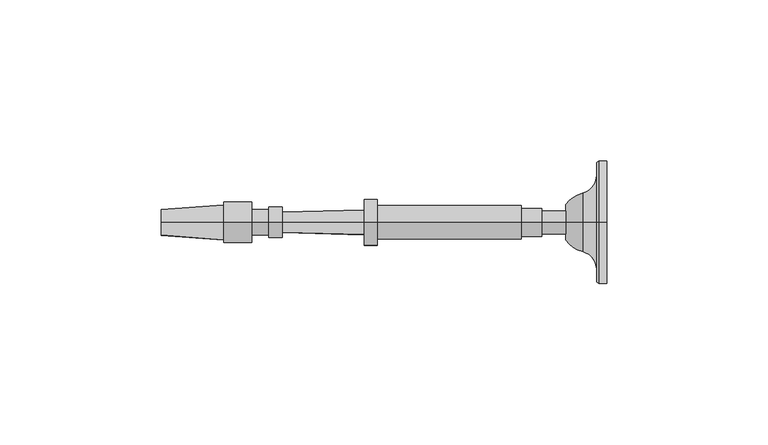
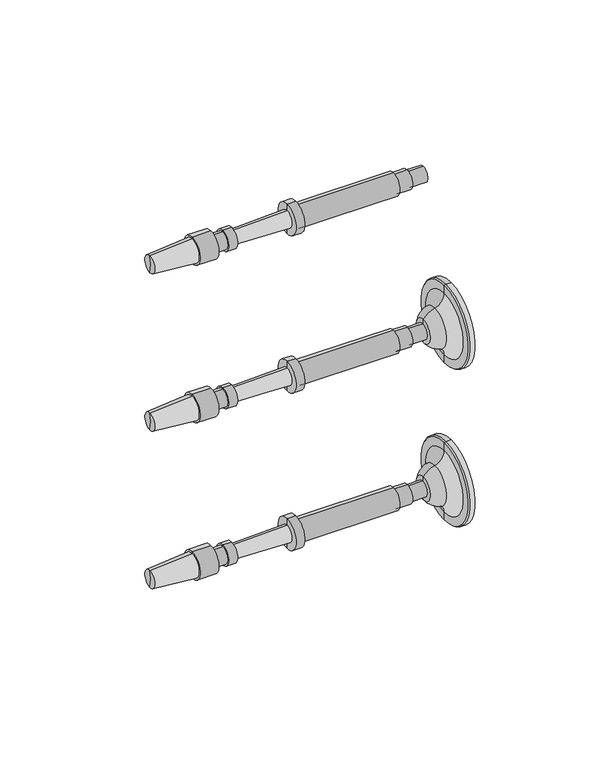
"""IFC4 building model written with IfcOpenShell, lengths in millimetres: railing geometry."""

from ifc_helpers import new_model, si_unit, point, frame, origin, place, context, project, spatial, polyline, circle_curve, ellipse_curve, trimmed, source, transform, mapped, element, save
from ifc_brep_helpers import plane_surface, cylinder_surface, revolved_surface, advanced_brep


def railing_fa4fd80e(model_context):
    return source(origin(), model_context, "Body", "AdvancedBrep", [
        advanced_brep(
        [(4032.408954, 16706.2866843, 33140.0282881), (4032.408954, 16706.2866843, 33143.6001631), (4032.408954, 16706.2866843, 33147.1720381), (3907.4650648, 16706.2866843, 33143.6001631), (3907.1694004, 16706.2866843, 33139.5757028), (3907.1694004, 16706.2866843, 33147.6246235), (3926.5127644, 16706.2866843, 33138.1546072), (3926.5127644, 16706.2866843, 33149.045719), (3926.5127644, 16706.2866843, 33137.2616385), (3926.5127644, 16706.2866843, 33149.9386877), (3935.1447956, 16706.2866843, 33137.2616385), (3935.1447956, 16706.2866843, 33149.9386877), (3935.1447956, 16706.2866843, 33139.6428885), (3935.1447956, 16706.2866843, 33147.5574377), (3940.5026081, 16706.2866843, 33139.6428885), (3940.5026081, 16706.2866843, 33147.5574377), (3940.5026081, 16706.2866843, 33138.8491385), (3940.5026081, 16706.2866843, 33148.3511877), (3944.5705769, 16706.2866843, 33138.8491385), (3944.5705769, 16706.2866843, 33148.3511877), (3944.614664, 16706.2866843, 33140.4360262), (3944.614664, 16706.2866843, 33146.7643), (3970.0048672, 16706.2866843, 33139.7306319), (3970.0048672, 16706.2866843, 33147.4696944), (3970.0048672, 16706.2866843, 33136.4564131), (3970.0048672, 16706.2866843, 33150.7439131), (3973.9736172, 16706.2866843, 33136.4564131), (3973.9736172, 16706.2866843, 33150.7439131), (3973.9736172, 16706.2866843, 33138.4407881), (3973.9736172, 16706.2866843, 33148.7595381), (4018.7212735, 16706.2866843, 33138.4407881), (4018.7212735, 16706.2866843, 33148.7595381), (4018.7212735, 16706.2866843, 33139.2345381), (4018.7212735, 16706.2866843, 33147.9657881), (4025.0712735, 16706.2866843, 33139.2345381), (4025.0712735, 16706.2866843, 33147.9657881), (4025.0712735, 16706.2866843, 33140.0282881), (4025.0712735, 16706.2866843, 33147.1720381)],
        [
            (0, 1),
            (1, 2),
            (2, 0, circle_curve(frame((4032.408954, 16706.2866843, 33143.6001631), z_axis=(1.0, 0.0, 0.0), x_axis=(0.0, 0.0, 1.0000000000000002)), 3.571875)),
            (0, 2, circle_curve(frame((4032.408954, 16706.2866843, 33143.6001631), z_axis=(1.0, 0.0, 0.0), x_axis=(0.0, 0.0, 1.0000000000000002)), 3.571875)),
            (3, 4),
            (4, 5, circle_curve(frame((3907.1694004, 16706.2866843, 33143.6001631), z_axis=(-1.0, 0.0, 0.0), x_axis=(0.0, 0.0, 1.0000000000000002)), 4.0244604)),
            (5, 3),
            (5, 4, circle_curve(frame((3907.1694004, 16706.2866843, 33143.6001631), z_axis=(-1.0, 0.0, 0.0), x_axis=(0.0, 0.0, 1.0000000000000002)), 4.0244604)),
            (4, 6),
            (6, 7, circle_curve(frame((3926.5127644, 16706.2866843, 33143.6001631), z_axis=(-1.0, 0.0, 0.0), x_axis=(0.0, 0.0, 1.0000000000000002)), 5.4455559)),
            (7, 5),
            (7, 6, circle_curve(frame((3926.5127644, 16706.2866843, 33143.6001631), z_axis=(-1.0, 0.0, 0.0), x_axis=(0.0, 0.0, 1.0000000000000002)), 5.4455559)),
            (6, 8),
            (8, 9, circle_curve(frame((3926.5127644, 16706.2866843, 33143.6001631), z_axis=(-1.0, 0.0, 0.0), x_axis=(0.0, 0.0, 1.0000000000000002)), 6.3385246)),
            (9, 7),
            (9, 8, circle_curve(frame((3926.5127644, 16706.2866843, 33143.6001631), z_axis=(-1.0, 0.0, 0.0), x_axis=(0.0, 0.0, 1.0000000000000002)), 6.3385246)),
            (8, 10),
            (10, 11, circle_curve(frame((3935.1447956, 16706.2866843, 33143.6001631), z_axis=(-1.0, 0.0, 0.0), x_axis=(0.0, 0.0, 1.0000000000000002)), 6.3385246)),
            (11, 9),
            (11, 10, circle_curve(frame((3935.1447956, 16706.2866843, 33143.6001631), z_axis=(-1.0, 0.0, 0.0), x_axis=(0.0, 0.0, 1.0000000000000002)), 6.3385246)),
            (10, 12),
            (12, 13, circle_curve(frame((3935.1447956, 16706.2866843, 33143.6001631), z_axis=(-1.0, 0.0, 0.0), x_axis=(0.0, 0.0, 1.0000000000000002)), 3.9572746)),
            (13, 11),
            (13, 12, circle_curve(frame((3935.1447956, 16706.2866843, 33143.6001631), z_axis=(-1.0, 0.0, 0.0), x_axis=(0.0, 0.0, 1.0000000000000002)), 3.9572746)),
            (12, 14),
            (14, 15, circle_curve(frame((3940.5026081, 16706.2866843, 33143.6001631), z_axis=(-1.0, 0.0, 0.0), x_axis=(0.0, 0.0, 1.0000000000000002)), 3.9572746)),
            (15, 13),
            (15, 14, circle_curve(frame((3940.5026081, 16706.2866843, 33143.6001631), z_axis=(-1.0, 0.0, 0.0), x_axis=(0.0, 0.0, 1.0000000000000002)), 3.9572746)),
            (14, 16),
            (16, 17, circle_curve(frame((3940.5026081, 16706.2866843, 33143.6001631), z_axis=(-1.0, 0.0, 0.0), x_axis=(0.0, 0.0, 1.0000000000000002)), 4.7510246)),
            (17, 15),
            (17, 16, circle_curve(frame((3940.5026081, 16706.2866843, 33143.6001631), z_axis=(-1.0, 0.0, 0.0), x_axis=(0.0, 0.0, 1.0000000000000002)), 4.7510246)),
            (16, 18),
            (18, 19, circle_curve(frame((3944.5705769, 16706.2866843, 33143.6001631), z_axis=(-1.0, 0.0, 0.0), x_axis=(0.0, 0.0, 1.0000000000000002)), 4.7510246)),
            (19, 17),
            (19, 18, circle_curve(frame((3944.5705769, 16706.2866843, 33143.6001631), z_axis=(-1.0, 0.0, 0.0), x_axis=(0.0, 0.0, 1.0000000000000002)), 4.7510246)),
            (18, 20),
            (20, 21, circle_curve(frame((3944.614664, 16706.2866843, 33143.6001631), z_axis=(-1.0, 0.0, 0.0), x_axis=(0.0, 0.0, 1.0000000000000002)), 3.1641369)),
            (21, 19),
            (21, 20, circle_curve(frame((3944.614664, 16706.2866843, 33143.6001631), z_axis=(-1.0, 0.0, 0.0), x_axis=(0.0, 0.0, 1.0000000000000002)), 3.1641369)),
            (20, 22),
            (22, 23, circle_curve(frame((3970.0048672, 16706.2866843, 33143.6001631), z_axis=(-1.0, 0.0, 0.0), x_axis=(0.0, 0.0, 1.0000000000000002)), 3.8695313)),
            (23, 21),
            (23, 22, circle_curve(frame((3970.0048672, 16706.2866843, 33143.6001631), z_axis=(-1.0, 0.0, 0.0), x_axis=(0.0, 0.0, 1.0000000000000002)), 3.8695313)),
            (22, 24),
            (24, 25, circle_curve(frame((3970.0048672, 16706.2866843, 33143.6001631), z_axis=(-1.0, 0.0, 0.0), x_axis=(0.0, 0.0, 1.0000000000000002)), 7.14375)),
            (25, 23),
            (25, 24, circle_curve(frame((3970.0048672, 16706.2866843, 33143.6001631), z_axis=(-1.0, 0.0, 0.0), x_axis=(0.0, 0.0, 1.0000000000000002)), 7.14375)),
            (24, 26),
            (26, 27, circle_curve(frame((3973.9736172, 16706.2866843, 33143.6001631), z_axis=(-1.0, 0.0, 0.0), x_axis=(0.0, 0.0, 1.0000000000000002)), 7.14375)),
            (27, 25),
            (27, 26, circle_curve(frame((3973.9736172, 16706.2866843, 33143.6001631), z_axis=(-1.0, 0.0, 0.0), x_axis=(0.0, 0.0, 1.0000000000000002)), 7.14375)),
            (26, 28),
            (28, 29, circle_curve(frame((3973.9736172, 16706.2866843, 33143.6001631), z_axis=(-1.0, 0.0, 0.0), x_axis=(0.0, 0.0, 1.0000000000000002)), 5.159375)),
            (29, 27),
            (29, 28, circle_curve(frame((3973.9736172, 16706.2866843, 33143.6001631), z_axis=(-1.0, 0.0, 0.0), x_axis=(0.0, 0.0, 1.0000000000000002)), 5.159375)),
            (28, 30),
            (30, 31, circle_curve(frame((4018.7212735, 16706.2866843, 33143.6001631), z_axis=(-1.0, 0.0, 0.0), x_axis=(0.0, 0.0, 1.0000000000000002)), 5.159375)),
            (31, 29),
            (31, 30, circle_curve(frame((4018.7212735, 16706.2866843, 33143.6001631), z_axis=(-1.0, 0.0, 0.0), x_axis=(0.0, 0.0, 1.0000000000000002)), 5.159375)),
            (30, 32),
            (32, 33, circle_curve(frame((4018.7212735, 16706.2866843, 33143.6001631), z_axis=(-1.0, 0.0, 0.0), x_axis=(0.0, 0.0, 1.0000000000000002)), 4.365625)),
            (33, 31),
            (33, 32, circle_curve(frame((4018.7212735, 16706.2866843, 33143.6001631), z_axis=(-1.0, 0.0, 0.0), x_axis=(0.0, 0.0, 1.0000000000000002)), 4.365625)),
            (32, 34),
            (34, 35, circle_curve(frame((4025.0712735, 16706.2866843, 33143.6001631), z_axis=(-1.0, 0.0, 0.0), x_axis=(0.0, 0.0, 1.0000000000000002)), 4.365625)),
            (35, 33),
            (35, 34, circle_curve(frame((4025.0712735, 16706.2866843, 33143.6001631), z_axis=(-1.0, 0.0, 0.0), x_axis=(0.0, 0.0, 1.0000000000000002)), 4.365625)),
            (34, 36),
            (36, 37, circle_curve(frame((4025.0712735, 16706.2866843, 33143.6001631), z_axis=(-1.0, 0.0, 0.0), x_axis=(0.0, 0.0, 1.0000000000000002)), 3.571875)),
            (37, 35),
            (37, 36, circle_curve(frame((4025.0712735, 16706.2866843, 33143.6001631), z_axis=(-1.0, 0.0, 0.0), x_axis=(0.0, 0.0, 1.0000000000000002)), 3.571875)),
            (36, 0),
            (2, 37),
        ],
        [
            plane_surface(frame((4032.408954, 16706.2866843, 33143.6001631), z_axis=(1.0, 0.0, 0.0), x_axis=(0.0, 0.0, 1.0))),
            revolved_surface(polyline([(3907.1694004, 16706.2866843, 33147.6246235), (3907.4650648, 16706.2866843, 33143.6001631)]), (3907.4650648, 16706.2866843, 33143.6001631), (-1.0, 0.0, 0.0)),
            revolved_surface(polyline([(3926.5127644, 16706.2866843, 33149.045719), (3907.1694004, 16706.2866843, 33147.6246235)]), (3907.4650648, 16706.2866843, 33143.6001631), (-1.0, 0.0, 0.0)),
            plane_surface(frame((3926.5127644, 16706.2866843, 33143.6001631), z_axis=(-1.0, 0.0, 0.0), x_axis=(0.0, 0.0, 1.0))),
            cylinder_surface(frame((3907.4650648, 16706.2866843, 33143.6001631), z_axis=(-1.0, 0.0, 0.0), x_axis=(0.0, 0.0, 1.0000000000000002)), 6.3385246),
            plane_surface(frame((3935.1447956, 16706.2866843, 33143.6001631), z_axis=(1.0, 0.0, 0.0), x_axis=(0.0, 0.0, 1.0))),
            cylinder_surface(frame((3907.4650648, 16706.2866843, 33143.6001631), z_axis=(-1.0, 0.0, 0.0), x_axis=(0.0, 0.0, 1.0000000000000002)), 3.9572746),
            plane_surface(frame((3940.5026081, 16706.2866843, 33143.6001631), z_axis=(-1.0, 0.0, 0.0), x_axis=(0.0, 0.0, 1.0))),
            cylinder_surface(frame((3907.4650648, 16706.2866843, 33143.6001631), z_axis=(-1.0, 0.0, 0.0), x_axis=(0.0, 0.0, 1.0000000000000002)), 4.7510246),
            plane_surface(frame((3944.614664, 16706.2866843, 33143.6001631), z_axis=(1.0, 0.0, 0.0), x_axis=(0.0, 0.0, 1.0))),
            revolved_surface(polyline([(3970.0048672, 16706.2866843, 33147.4696944), (3944.614664, 16706.2866843, 33146.7643)]), (3907.4650648, 16706.2866843, 33143.6001631), (-1.0, 0.0, 0.0)),
            plane_surface(frame((3970.0048672, 16706.2866843, 33143.6001631), z_axis=(-1.0, 0.0, 0.0), x_axis=(0.0, 0.0, 1.0))),
            cylinder_surface(frame((3907.4650648, 16706.2866843, 33143.6001631), z_axis=(-1.0, 0.0, 0.0), x_axis=(0.0, 0.0, 1.0000000000000002)), 7.14375),
            plane_surface(frame((3973.9736172, 16706.2866843, 33143.6001631), z_axis=(1.0, 0.0, 0.0), x_axis=(0.0, 0.0, 1.0))),
            cylinder_surface(frame((3907.4650648, 16706.2866843, 33143.6001631), z_axis=(-1.0, 0.0, 0.0), x_axis=(0.0, 0.0, 1.0000000000000002)), 5.159375),
            plane_surface(frame((4018.7212735, 16706.2866843, 33143.6001631), z_axis=(1.0, 0.0, 0.0), x_axis=(0.0, 0.0, 1.0))),
            cylinder_surface(frame((3907.4650648, 16706.2866843, 33143.6001631), z_axis=(-1.0, 0.0, 0.0), x_axis=(0.0, 0.0, 1.0000000000000002)), 4.365625),
            plane_surface(frame((4025.0712735, 16706.2866843, 33143.6001631), z_axis=(1.0, 0.0, 0.0), x_axis=(0.0, 0.0, 1.0))),
            cylinder_surface(frame((3907.4650648, 16706.2866843, 33143.6001631), z_axis=(-1.0, 0.0, 0.0), x_axis=(0.0, 0.0, 1.0000000000000002)), 3.571875),
        ],
        [
            (0, [[1, 2, 3]]),
            (0, [[-2, -1, 4]]),
            (1, [[5, 6, 7]]),
            (1, [[-7, 8, -5]]),
            (2, [[9, 10, 11, -6]]),
            (2, [[-11, 12, -9, -8]]),
            (3, [[13, 14, 15, -10]]),
            (3, [[-15, 16, -13, -12]]),
            (4, [[17, 18, 19, -14]]),
            (4, [[-19, 20, -17, -16]]),
            (5, [[21, 22, 23, -18]]),
            (5, [[-23, 24, -21, -20]]),
            (6, [[25, 26, 27, -22]]),
            (6, [[-27, 28, -25, -24]]),
            (7, [[29, 30, 31, -26]]),
            (7, [[-31, 32, -29, -28]]),
            (8, [[33, 34, 35, -30]]),
            (8, [[-35, 36, -33, -32]]),
            (9, [[37, 38, 39, -34]]),
            (9, [[-39, 40, -37, -36]]),
            (10, [[41, 42, 43, -38]]),
            (10, [[-43, 44, -41, -40]]),
            (11, [[45, 46, 47, -42]]),
            (11, [[-47, 48, -45, -44]]),
            (12, [[49, 50, 51, -46]]),
            (12, [[-51, 52, -49, -48]]),
            (13, [[53, 54, 55, -50]]),
            (13, [[-55, 56, -53, -52]]),
            (14, [[57, 58, 59, -54]]),
            (14, [[-59, 60, -57, -56]]),
            (15, [[61, 62, 63, -58]]),
            (15, [[-63, 64, -61, -60]]),
            (16, [[65, 66, 67, -62]]),
            (16, [[-67, 68, -65, -64]]),
            (17, [[69, 70, 71, -66]]),
            (17, [[-71, 72, -69, -68]]),
            (18, [[73, -3, 74, -70]]),
            (18, [[-74, -4, -73, -72]]),
        ],
    ),
        advanced_brep(
        [(4045.1015906, 16706.2866843, 33067.4001631), (4045.1015906, 16706.2866843, 33086.4501631), (4045.1015906, 16706.2866843, 33048.3501631), (4032.408954, 16706.2866843, 33061.8769785), (4032.408954, 16706.2866843, 33072.9233478), (4032.408954, 16706.2866843, 33067.4001631), (4037.6850504, 16706.2866843, 33058.2720381), (4037.6850504, 16706.2866843, 33076.5282881), (4042.0506754, 16706.2866843, 33052.6458254), (4042.0506754, 16706.2866843, 33082.1545009), (4042.0506754, 16706.2866843, 33048.7762941), (4042.0506754, 16706.2866843, 33086.0240321), (4042.7203406, 16706.2866843, 33048.3501631), (4042.7203406, 16706.2866843, 33086.4501631)],
        [
            (0, 1),
            (1, 2, circle_curve(frame((4045.1015906, 16706.2866843, 33067.4001631), z_axis=(1.0, 0.0, 0.0), x_axis=(0.0, 0.0, 1.0)), 19.05)),
            (2, 0),
            (2, 1, circle_curve(frame((4045.1015906, 16706.2866843, 33067.4001631), z_axis=(1.0, 0.0, 0.0), x_axis=(0.0, 0.0, 1.0)), 19.05)),
            (3, 4, circle_curve(frame((4032.408954, 16706.2866843, 33067.4001631), z_axis=(-1.0, 0.0, 0.0), x_axis=(0.0, 0.0, 1.0)), 5.5231846)),
            (4, 5),
            (5, 3),
            (4, 3, circle_curve(frame((4032.408954, 16706.2866843, 33067.4001631), z_axis=(-1.0, 0.0, 0.0), x_axis=(0.0, 0.0, 1.0)), 5.5231846)),
            (6, 7, circle_curve(frame((4037.6850504, 16706.2866843, 33067.4001631), z_axis=(-1.0, 0.0, 0.0), x_axis=(0.0, 0.0, 1.0)), 9.128125)),
            (7, 4, circle_curve(frame((4040.0094591, 16706.2866843, 33067.4628958), z_axis=(0.0, -1.0, 0.0), x_axis=(-1.0, 0.0, 0.0)), 9.3586438)),
            (3, 6, circle_curve(frame((4040.0094591, 16706.2866843, 33067.3374304), z_axis=(0.0, -1.0, 0.0), x_axis=(-1.0, 0.0, 0.0)), 9.3586438)),
            (7, 6, circle_curve(frame((4037.6850504, 16706.2866843, 33067.4001631), z_axis=(-1.0, 0.0, 0.0), x_axis=(0.0, 0.0, 1.0)), 9.128125)),
            (8, 9, circle_curve(frame((4042.0506754, 16706.2866843, 33067.4001631), z_axis=(-1.0, 0.0, 0.0), x_axis=(0.0, 0.0, 1.0)), 14.7543378)),
            (9, 7, circle_curve(frame((4036.2424634, 16706.2866843, 33082.1545009), z_axis=(0.0, 1.0, 0.0), x_axis=(-1.0, 0.0, 0.0)), 5.8082121)),
            (6, 8, circle_curve(frame((4036.2424634, 16706.2866843, 33052.6458254), z_axis=(0.0, 1.0, 0.0), x_axis=(-1.0, 0.0, 0.0)), 5.8082121)),
            (9, 8, circle_curve(frame((4042.0506754, 16706.2866843, 33067.4001631), z_axis=(-1.0, 0.0, 0.0), x_axis=(0.0, 0.0, 1.0)), 14.7543378)),
            (10, 11, circle_curve(frame((4042.0506754, 16706.2866843, 33067.4001631), z_axis=(-1.0, 0.0, 0.0), x_axis=(0.0, 0.0, 1.0)), 18.623869)),
            (11, 9),
            (8, 10),
            (11, 10, circle_curve(frame((4042.0506754, 16706.2866843, 33067.4001631), z_axis=(-1.0, 0.0, 0.0), x_axis=(0.0, 0.0, 1.0)), 18.623869)),
            (12, 13, circle_curve(frame((4042.7203406, 16706.2866843, 33067.4001631), z_axis=(-1.0, 0.0, 0.0), x_axis=(0.0, 0.0, 1.0)), 19.05)),
            (13, 11),
            (10, 12),
            (13, 12, circle_curve(frame((4042.7203406, 16706.2866843, 33067.4001631), z_axis=(-1.0, 0.0, 0.0), x_axis=(0.0, 0.0, 1.0)), 19.05)),
            (1, 13),
            (12, 2),
        ],
        [
            plane_surface(frame((4045.1015906, 16706.2866843, 33067.4001631), z_axis=(1.0, 0.0, 0.0), x_axis=(0.0, 0.0, 1.0))),
            plane_surface(frame((4032.408954, 16706.2866843, 33067.4001631), z_axis=(-1.0, 0.0, 0.0), x_axis=(0.0, 0.0, 1.0))),
            revolved_surface(trimmed(ellipse_curve(frame((4040.0094591, 16706.2866843, 33067.4628958), z_axis=(0.0, 1.0, 0.0), x_axis=(-1.0, 0.0, 0.0)), 9.3586438, 9.3586438), [point((4032.408954, 16706.2866843, 33072.9233478))], [point((4037.6850504, 16706.2866843, 33076.5282881))], True, "CARTESIAN"), (4045.1015906, 16706.2866843, 33067.4001631), (1.0, 0.0, 0.0)),
            revolved_surface(trimmed(ellipse_curve(frame((4036.2424634, 16706.2866843, 33082.1545009), z_axis=(0.0, -1.0, 0.0), x_axis=(-1.0, 0.0, 0.0)), 5.8082121, 5.8082121), [point((4037.6850504, 16706.2866843, 33076.5282881))], [point((4042.0506754, 16706.2866843, 33082.1545009))], True, "CARTESIAN"), (4045.1015906, 16706.2866843, 33067.4001631), (1.0, 0.0, 0.0)),
            plane_surface(frame((4042.0506754, 16706.2866843, 33067.4001631), z_axis=(-1.0, 0.0, 0.0), x_axis=(0.0, 0.0, 1.0))),
            revolved_surface(polyline([(4042.0506754, 16706.2866843, 33086.0240321), (4042.7203406, 16706.2866843, 33086.4501631)]), (4045.1015906, 16706.2866843, 33067.4001631), (1.0, 0.0, 0.0)),
            cylinder_surface(frame((4045.1015906, 16706.2866843, 33067.4001631), z_axis=(1.0, 0.0, 0.0), x_axis=(0.0, 0.0, 1.0)), 19.05),
        ],
        [
            (0, [[1, 2, 3]]),
            (0, [[-3, 4, -1]]),
            (1, [[5, 6, 7]]),
            (1, [[8, -7, -6]]),
            (2, [[9, 10, -5, 11]]),
            (2, [[12, -11, -8, -10]]),
            (3, [[13, 14, -9, 15]]),
            (3, [[16, -15, -12, -14]]),
            (4, [[17, 18, -13, 19]]),
            (4, [[20, -19, -16, -18]]),
            (5, [[21, 22, -17, 23]]),
            (5, [[24, -23, -20, -22]]),
            (6, [[-2, 25, -21, 26]]),
            (6, [[-4, -26, -24, -25]]),
        ],
    ),
        advanced_brep(
        [(4032.408954, 16706.2866843, 33063.8282881), (4032.408954, 16706.2866843, 33067.4001631), (4032.408954, 16706.2866843, 33070.9720381), (3907.4650648, 16706.2866843, 33067.4001631), (3907.1694004, 16706.2866843, 33063.3757028), (3907.1694004, 16706.2866843, 33071.4246235), (3926.5127644, 16706.2866843, 33061.9546072), (3926.5127644, 16706.2866843, 33072.845719), (3926.5127644, 16706.2866843, 33061.0616385), (3926.5127644, 16706.2866843, 33073.7386877), (3935.1447956, 16706.2866843, 33061.0616385), (3935.1447956, 16706.2866843, 33073.7386877), (3935.1447956, 16706.2866843, 33063.4428885), (3935.1447956, 16706.2866843, 33071.3574377), (3940.5026081, 16706.2866843, 33063.4428885), (3940.5026081, 16706.2866843, 33071.3574377), (3940.5026081, 16706.2866843, 33062.6491385), (3940.5026081, 16706.2866843, 33072.1511877), (3944.5705769, 16706.2866843, 33062.6491385), (3944.5705769, 16706.2866843, 33072.1511877), (3944.614664, 16706.2866843, 33064.2360262), (3944.614664, 16706.2866843, 33070.5643), (3970.0048672, 16706.2866843, 33063.5306319), (3970.0048672, 16706.2866843, 33071.2696944), (3970.0048672, 16706.2866843, 33060.2564131), (3970.0048672, 16706.2866843, 33074.5439131), (3973.9736172, 16706.2866843, 33060.2564131), (3973.9736172, 16706.2866843, 33074.5439131), (3973.9736172, 16706.2866843, 33062.2407881), (3973.9736172, 16706.2866843, 33072.5595381), (4018.7212735, 16706.2866843, 33062.2407881), (4018.7212735, 16706.2866843, 33072.5595381), (4018.7212735, 16706.2866843, 33063.0345381), (4018.7212735, 16706.2866843, 33071.7657881), (4025.0712735, 16706.2866843, 33063.0345381), (4025.0712735, 16706.2866843, 33071.7657881), (4025.0712735, 16706.2866843, 33063.8282881), (4025.0712735, 16706.2866843, 33070.9720381)],
        [
            (0, 1),
            (1, 2),
            (2, 0, circle_curve(frame((4032.408954, 16706.2866843, 33067.4001631), z_axis=(1.0, 0.0, 0.0), x_axis=(0.0, 0.0, 1.0000000000000002)), 3.571875)),
            (0, 2, circle_curve(frame((4032.408954, 16706.2866843, 33067.4001631), z_axis=(1.0, 0.0, 0.0), x_axis=(0.0, 0.0, 1.0000000000000002)), 3.571875)),
            (3, 4),
            (4, 5, circle_curve(frame((3907.1694004, 16706.2866843, 33067.4001631), z_axis=(-1.0, 0.0, 0.0), x_axis=(0.0, 0.0, 1.0000000000000002)), 4.0244604)),
            (5, 3),
            (5, 4, circle_curve(frame((3907.1694004, 16706.2866843, 33067.4001631), z_axis=(-1.0, 0.0, 0.0), x_axis=(0.0, 0.0, 1.0000000000000002)), 4.0244604)),
            (4, 6),
            (6, 7, circle_curve(frame((3926.5127644, 16706.2866843, 33067.4001631), z_axis=(-1.0, 0.0, 0.0), x_axis=(0.0, 0.0, 1.0000000000000002)), 5.4455559)),
            (7, 5),
            (7, 6, circle_curve(frame((3926.5127644, 16706.2866843, 33067.4001631), z_axis=(-1.0, 0.0, 0.0), x_axis=(0.0, 0.0, 1.0000000000000002)), 5.4455559)),
            (6, 8),
            (8, 9, circle_curve(frame((3926.5127644, 16706.2866843, 33067.4001631), z_axis=(-1.0, 0.0, 0.0), x_axis=(0.0, 0.0, 1.0000000000000002)), 6.3385246)),
            (9, 7),
            (9, 8, circle_curve(frame((3926.5127644, 16706.2866843, 33067.4001631), z_axis=(-1.0, 0.0, 0.0), x_axis=(0.0, 0.0, 1.0000000000000002)), 6.3385246)),
            (8, 10),
            (10, 11, circle_curve(frame((3935.1447956, 16706.2866843, 33067.4001631), z_axis=(-1.0, 0.0, 0.0), x_axis=(0.0, 0.0, 1.0000000000000002)), 6.3385246)),
            (11, 9),
            (11, 10, circle_curve(frame((3935.1447956, 16706.2866843, 33067.4001631), z_axis=(-1.0, 0.0, 0.0), x_axis=(0.0, 0.0, 1.0000000000000002)), 6.3385246)),
            (10, 12),
            (12, 13, circle_curve(frame((3935.1447956, 16706.2866843, 33067.4001631), z_axis=(-1.0, 0.0, 0.0), x_axis=(0.0, 0.0, 1.0000000000000002)), 3.9572746)),
            (13, 11),
            (13, 12, circle_curve(frame((3935.1447956, 16706.2866843, 33067.4001631), z_axis=(-1.0, 0.0, 0.0), x_axis=(0.0, 0.0, 1.0000000000000002)), 3.9572746)),
            (12, 14),
            (14, 15, circle_curve(frame((3940.5026081, 16706.2866843, 33067.4001631), z_axis=(-1.0, 0.0, 0.0), x_axis=(0.0, 0.0, 1.0000000000000002)), 3.9572746)),
            (15, 13),
            (15, 14, circle_curve(frame((3940.5026081, 16706.2866843, 33067.4001631), z_axis=(-1.0, 0.0, 0.0), x_axis=(0.0, 0.0, 1.0000000000000002)), 3.9572746)),
            (14, 16),
            (16, 17, circle_curve(frame((3940.5026081, 16706.2866843, 33067.4001631), z_axis=(-1.0, 0.0, 0.0), x_axis=(0.0, 0.0, 1.0000000000000002)), 4.7510246)),
            (17, 15),
            (17, 16, circle_curve(frame((3940.5026081, 16706.2866843, 33067.4001631), z_axis=(-1.0, 0.0, 0.0), x_axis=(0.0, 0.0, 1.0000000000000002)), 4.7510246)),
            (16, 18),
            (18, 19, circle_curve(frame((3944.5705769, 16706.2866843, 33067.4001631), z_axis=(-1.0, 0.0, 0.0), x_axis=(0.0, 0.0, 1.0000000000000002)), 4.7510246)),
            (19, 17),
            (19, 18, circle_curve(frame((3944.5705769, 16706.2866843, 33067.4001631), z_axis=(-1.0, 0.0, 0.0), x_axis=(0.0, 0.0, 1.0000000000000002)), 4.7510246)),
            (18, 20),
            (20, 21, circle_curve(frame((3944.614664, 16706.2866843, 33067.4001631), z_axis=(-1.0, 0.0, 0.0), x_axis=(0.0, 0.0, 1.0000000000000002)), 3.1641369)),
            (21, 19),
            (21, 20, circle_curve(frame((3944.614664, 16706.2866843, 33067.4001631), z_axis=(-1.0, 0.0, 0.0), x_axis=(0.0, 0.0, 1.0000000000000002)), 3.1641369)),
            (20, 22),
            (22, 23, circle_curve(frame((3970.0048672, 16706.2866843, 33067.4001631), z_axis=(-1.0, 0.0, 0.0), x_axis=(0.0, 0.0, 1.0000000000000002)), 3.8695313)),
            (23, 21),
            (23, 22, circle_curve(frame((3970.0048672, 16706.2866843, 33067.4001631), z_axis=(-1.0, 0.0, 0.0), x_axis=(0.0, 0.0, 1.0000000000000002)), 3.8695313)),
            (22, 24),
            (24, 25, circle_curve(frame((3970.0048672, 16706.2866843, 33067.4001631), z_axis=(-1.0, 0.0, 0.0), x_axis=(0.0, 0.0, 1.0000000000000002)), 7.14375)),
            (25, 23),
            (25, 24, circle_curve(frame((3970.0048672, 16706.2866843, 33067.4001631), z_axis=(-1.0, 0.0, 0.0), x_axis=(0.0, 0.0, 1.0000000000000002)), 7.14375)),
            (24, 26),
            (26, 27, circle_curve(frame((3973.9736172, 16706.2866843, 33067.4001631), z_axis=(-1.0, 0.0, 0.0), x_axis=(0.0, 0.0, 1.0000000000000002)), 7.14375)),
            (27, 25),
            (27, 26, circle_curve(frame((3973.9736172, 16706.2866843, 33067.4001631), z_axis=(-1.0, 0.0, 0.0), x_axis=(0.0, 0.0, 1.0000000000000002)), 7.14375)),
            (26, 28),
            (28, 29, circle_curve(frame((3973.9736172, 16706.2866843, 33067.4001631), z_axis=(-1.0, 0.0, 0.0), x_axis=(0.0, 0.0, 1.0000000000000002)), 5.159375)),
            (29, 27),
            (29, 28, circle_curve(frame((3973.9736172, 16706.2866843, 33067.4001631), z_axis=(-1.0, 0.0, 0.0), x_axis=(0.0, 0.0, 1.0000000000000002)), 5.159375)),
            (28, 30),
            (30, 31, circle_curve(frame((4018.7212735, 16706.2866843, 33067.4001631), z_axis=(-1.0, 0.0, 0.0), x_axis=(0.0, 0.0, 1.0000000000000002)), 5.159375)),
            (31, 29),
            (31, 30, circle_curve(frame((4018.7212735, 16706.2866843, 33067.4001631), z_axis=(-1.0, 0.0, 0.0), x_axis=(0.0, 0.0, 1.0000000000000002)), 5.159375)),
            (30, 32),
            (32, 33, circle_curve(frame((4018.7212735, 16706.2866843, 33067.4001631), z_axis=(-1.0, 0.0, 0.0), x_axis=(0.0, 0.0, 1.0000000000000002)), 4.365625)),
            (33, 31),
            (33, 32, circle_curve(frame((4018.7212735, 16706.2866843, 33067.4001631), z_axis=(-1.0, 0.0, 0.0), x_axis=(0.0, 0.0, 1.0000000000000002)), 4.365625)),
            (32, 34),
            (34, 35, circle_curve(frame((4025.0712735, 16706.2866843, 33067.4001631), z_axis=(-1.0, 0.0, 0.0), x_axis=(0.0, 0.0, 1.0000000000000002)), 4.365625)),
            (35, 33),
            (35, 34, circle_curve(frame((4025.0712735, 16706.2866843, 33067.4001631), z_axis=(-1.0, 0.0, 0.0), x_axis=(0.0, 0.0, 1.0000000000000002)), 4.365625)),
            (34, 36),
            (36, 37, circle_curve(frame((4025.0712735, 16706.2866843, 33067.4001631), z_axis=(-1.0, 0.0, 0.0), x_axis=(0.0, 0.0, 1.0000000000000002)), 3.571875)),
            (37, 35),
            (37, 36, circle_curve(frame((4025.0712735, 16706.2866843, 33067.4001631), z_axis=(-1.0, 0.0, 0.0), x_axis=(0.0, 0.0, 1.0000000000000002)), 3.571875)),
            (36, 0),
            (2, 37),
        ],
        [
            plane_surface(frame((4032.408954, 16706.2866843, 33067.4001631), z_axis=(1.0, 0.0, 0.0), x_axis=(0.0, 0.0, 1.0))),
            revolved_surface(polyline([(3907.1694004, 16706.2866843, 33071.4246235), (3907.4650648, 16706.2866843, 33067.4001631)]), (3907.4650648, 16706.2866843, 33067.4001631), (-1.0, 0.0, 0.0)),
            revolved_surface(polyline([(3926.5127644, 16706.2866843, 33072.845719), (3907.1694004, 16706.2866843, 33071.4246235)]), (3907.4650648, 16706.2866843, 33067.4001631), (-1.0, 0.0, 0.0)),
            plane_surface(frame((3926.5127644, 16706.2866843, 33067.4001631), z_axis=(-1.0, 0.0, 0.0), x_axis=(0.0, 0.0, 1.0))),
            cylinder_surface(frame((3907.4650648, 16706.2866843, 33067.4001631), z_axis=(-1.0, 0.0, 0.0), x_axis=(0.0, 0.0, 1.0000000000000002)), 6.3385246),
            plane_surface(frame((3935.1447956, 16706.2866843, 33067.4001631), z_axis=(1.0, 0.0, 0.0), x_axis=(0.0, 0.0, 1.0))),
            cylinder_surface(frame((3907.4650648, 16706.2866843, 33067.4001631), z_axis=(-1.0, 0.0, 0.0), x_axis=(0.0, 0.0, 1.0000000000000002)), 3.9572746),
            plane_surface(frame((3940.5026081, 16706.2866843, 33067.4001631), z_axis=(-1.0, 0.0, 0.0), x_axis=(0.0, 0.0, 1.0))),
            cylinder_surface(frame((3907.4650648, 16706.2866843, 33067.4001631), z_axis=(-1.0, 0.0, 0.0), x_axis=(0.0, 0.0, 1.0000000000000002)), 4.7510246),
            plane_surface(frame((3944.614664, 16706.2866843, 33067.4001631), z_axis=(1.0, 0.0, 0.0), x_axis=(0.0, 0.0, 1.0))),
            revolved_surface(polyline([(3970.0048672, 16706.2866843, 33071.2696944), (3944.614664, 16706.2866843, 33070.5643)]), (3907.4650648, 16706.2866843, 33067.4001631), (-1.0, 0.0, 0.0)),
            plane_surface(frame((3970.0048672, 16706.2866843, 33067.4001631), z_axis=(-1.0, 0.0, 0.0), x_axis=(0.0, 0.0, 1.0))),
            cylinder_surface(frame((3907.4650648, 16706.2866843, 33067.4001631), z_axis=(-1.0, 0.0, 0.0), x_axis=(0.0, 0.0, 1.0000000000000002)), 7.14375),
            plane_surface(frame((3973.9736172, 16706.2866843, 33067.4001631), z_axis=(1.0, 0.0, 0.0), x_axis=(0.0, 0.0, 1.0))),
            cylinder_surface(frame((3907.4650648, 16706.2866843, 33067.4001631), z_axis=(-1.0, 0.0, 0.0), x_axis=(0.0, 0.0, 1.0000000000000002)), 5.159375),
            plane_surface(frame((4018.7212735, 16706.2866843, 33067.4001631), z_axis=(1.0, 0.0, 0.0), x_axis=(0.0, 0.0, 1.0))),
            cylinder_surface(frame((3907.4650648, 16706.2866843, 33067.4001631), z_axis=(-1.0, 0.0, 0.0), x_axis=(0.0, 0.0, 1.0000000000000002)), 4.365625),
            plane_surface(frame((4025.0712735, 16706.2866843, 33067.4001631), z_axis=(1.0, 0.0, 0.0), x_axis=(0.0, 0.0, 1.0))),
            cylinder_surface(frame((3907.4650648, 16706.2866843, 33067.4001631), z_axis=(-1.0, 0.0, 0.0), x_axis=(0.0, 0.0, 1.0000000000000002)), 3.571875),
        ],
        [
            (0, [[1, 2, 3]]),
            (0, [[-2, -1, 4]]),
            (1, [[5, 6, 7]]),
            (1, [[-7, 8, -5]]),
            (2, [[9, 10, 11, -6]]),
            (2, [[-11, 12, -9, -8]]),
            (3, [[13, 14, 15, -10]]),
            (3, [[-15, 16, -13, -12]]),
            (4, [[17, 18, 19, -14]]),
            (4, [[-19, 20, -17, -16]]),
            (5, [[21, 22, 23, -18]]),
            (5, [[-23, 24, -21, -20]]),
            (6, [[25, 26, 27, -22]]),
            (6, [[-27, 28, -25, -24]]),
            (7, [[29, 30, 31, -26]]),
            (7, [[-31, 32, -29, -28]]),
            (8, [[33, 34, 35, -30]]),
            (8, [[-35, 36, -33, -32]]),
            (9, [[37, 38, 39, -34]]),
            (9, [[-39, 40, -37, -36]]),
            (10, [[41, 42, 43, -38]]),
            (10, [[-43, 44, -41, -40]]),
            (11, [[45, 46, 47, -42]]),
            (11, [[-47, 48, -45, -44]]),
            (12, [[49, 50, 51, -46]]),
            (12, [[-51, 52, -49, -48]]),
            (13, [[53, 54, 55, -50]]),
            (13, [[-55, 56, -53, -52]]),
            (14, [[57, 58, 59, -54]]),
            (14, [[-59, 60, -57, -56]]),
            (15, [[61, 62, 63, -58]]),
            (15, [[-63, 64, -61, -60]]),
            (16, [[65, 66, 67, -62]]),
            (16, [[-67, 68, -65, -64]]),
            (17, [[69, 70, 71, -66]]),
            (17, [[-71, 72, -69, -68]]),
            (18, [[73, -3, 74, -70]]),
            (18, [[-74, -4, -73, -72]]),
        ],
    ),
        advanced_brep(
        [(4045.1015906, 16706.2866843, 32991.2001631), (4045.1015906, 16706.2866843, 33010.2501631), (4045.1015906, 16706.2866843, 32972.1501631), (4032.408954, 16706.2866843, 32985.6769785), (4032.408954, 16706.2866843, 32996.7233478), (4032.408954, 16706.2866843, 32991.2001631), (4037.6850504, 16706.2866843, 32982.0720381), (4037.6850504, 16706.2866843, 33000.3282881), (4042.0506754, 16706.2866843, 32976.4458254), (4042.0506754, 16706.2866843, 33005.9545009), (4042.0506754, 16706.2866843, 32972.5762941), (4042.0506754, 16706.2866843, 33009.8240321), (4042.7203406, 16706.2866843, 32972.1501631), (4042.7203406, 16706.2866843, 33010.2501631)],
        [
            (0, 1),
            (1, 2, circle_curve(frame((4045.1015906, 16706.2866843, 32991.2001631), z_axis=(1.0, 0.0, 0.0), x_axis=(0.0, 0.0, 1.0)), 19.05)),
            (2, 0),
            (2, 1, circle_curve(frame((4045.1015906, 16706.2866843, 32991.2001631), z_axis=(1.0, 0.0, 0.0), x_axis=(0.0, 0.0, 1.0)), 19.05)),
            (3, 4, circle_curve(frame((4032.408954, 16706.2866843, 32991.2001631), z_axis=(-1.0, 0.0, 0.0), x_axis=(0.0, 0.0, 1.0)), 5.5231846)),
            (4, 5),
            (5, 3),
            (4, 3, circle_curve(frame((4032.408954, 16706.2866843, 32991.2001631), z_axis=(-1.0, 0.0, 0.0), x_axis=(0.0, 0.0, 1.0)), 5.5231846)),
            (6, 7, circle_curve(frame((4037.6850504, 16706.2866843, 32991.2001631), z_axis=(-1.0, 0.0, 0.0), x_axis=(0.0, 0.0, 1.0)), 9.128125)),
            (7, 4, circle_curve(frame((4040.0094591, 16706.2866843, 32991.2628958), z_axis=(0.0, -1.0, 0.0), x_axis=(-1.0, 0.0, 0.0)), 9.3586438)),
            (3, 6, circle_curve(frame((4040.0094591, 16706.2866843, 32991.1374304), z_axis=(0.0, -1.0, 0.0), x_axis=(-1.0, 0.0, 0.0)), 9.3586438)),
            (7, 6, circle_curve(frame((4037.6850504, 16706.2866843, 32991.2001631), z_axis=(-1.0, 0.0, 0.0), x_axis=(0.0, 0.0, 1.0)), 9.128125)),
            (8, 9, circle_curve(frame((4042.0506754, 16706.2866843, 32991.2001631), z_axis=(-1.0, 0.0, 0.0), x_axis=(0.0, 0.0, 1.0)), 14.7543378)),
            (9, 7, circle_curve(frame((4036.2424634, 16706.2866843, 33005.9545009), z_axis=(0.0, 1.0, 0.0), x_axis=(-1.0, 0.0, 0.0)), 5.8082121)),
            (6, 8, circle_curve(frame((4036.2424634, 16706.2866843, 32976.4458254), z_axis=(0.0, 1.0, 0.0), x_axis=(-1.0, 0.0, 0.0)), 5.8082121)),
            (9, 8, circle_curve(frame((4042.0506754, 16706.2866843, 32991.2001631), z_axis=(-1.0, 0.0, 0.0), x_axis=(0.0, 0.0, 1.0)), 14.7543378)),
            (10, 11, circle_curve(frame((4042.0506754, 16706.2866843, 32991.2001631), z_axis=(-1.0, 0.0, 0.0), x_axis=(0.0, 0.0, 1.0)), 18.623869)),
            (11, 9),
            (8, 10),
            (11, 10, circle_curve(frame((4042.0506754, 16706.2866843, 32991.2001631), z_axis=(-1.0, 0.0, 0.0), x_axis=(0.0, 0.0, 1.0)), 18.623869)),
            (12, 13, circle_curve(frame((4042.7203406, 16706.2866843, 32991.2001631), z_axis=(-1.0, 0.0, 0.0), x_axis=(0.0, 0.0, 1.0)), 19.05)),
            (13, 11),
            (10, 12),
            (13, 12, circle_curve(frame((4042.7203406, 16706.2866843, 32991.2001631), z_axis=(-1.0, 0.0, 0.0), x_axis=(0.0, 0.0, 1.0)), 19.05)),
            (1, 13),
            (12, 2),
        ],
        [
            plane_surface(frame((4045.1015906, 16706.2866843, 32991.2001631), z_axis=(1.0, 0.0, 0.0), x_axis=(0.0, 0.0, 1.0))),
            plane_surface(frame((4032.408954, 16706.2866843, 32991.2001631), z_axis=(-1.0, 0.0, 0.0), x_axis=(0.0, 0.0, 1.0))),
            revolved_surface(trimmed(ellipse_curve(frame((4040.0094591, 16706.2866843, 32991.2628958), z_axis=(0.0, 1.0, 0.0), x_axis=(-1.0, 0.0, 0.0)), 9.3586438, 9.3586438), [point((4032.408954, 16706.2866843, 32996.7233478))], [point((4037.6850504, 16706.2866843, 33000.3282881))], True, "CARTESIAN"), (4045.1015906, 16706.2866843, 32991.2001631), (1.0, 0.0, 0.0)),
            revolved_surface(trimmed(ellipse_curve(frame((4036.2424634, 16706.2866843, 33005.9545009), z_axis=(0.0, -1.0, 0.0), x_axis=(-1.0, 0.0, 0.0)), 5.8082121, 5.8082121), [point((4037.6850504, 16706.2866843, 33000.3282881))], [point((4042.0506754, 16706.2866843, 33005.9545009))], True, "CARTESIAN"), (4045.1015906, 16706.2866843, 32991.2001631), (1.0, 0.0, 0.0)),
            plane_surface(frame((4042.0506754, 16706.2866843, 32991.2001631), z_axis=(-1.0, 0.0, 0.0), x_axis=(0.0, 0.0, 1.0))),
            revolved_surface(polyline([(4042.0506754, 16706.2866843, 33009.8240321), (4042.7203406, 16706.2866843, 33010.2501631)]), (4045.1015906, 16706.2866843, 32991.2001631), (1.0, 0.0, 0.0)),
            cylinder_surface(frame((4045.1015906, 16706.2866843, 32991.2001631), z_axis=(1.0, 0.0, 0.0), x_axis=(0.0, 0.0, 1.0)), 19.05),
        ],
        [
            (0, [[1, 2, 3]]),
            (0, [[-3, 4, -1]]),
            (1, [[5, 6, 7]]),
            (1, [[8, -7, -6]]),
            (2, [[9, 10, -5, 11]]),
            (2, [[12, -11, -8, -10]]),
            (3, [[13, 14, -9, 15]]),
            (3, [[16, -15, -12, -14]]),
            (4, [[17, 18, -13, 19]]),
            (4, [[20, -19, -16, -18]]),
            (5, [[21, 22, -17, 23]]),
            (5, [[24, -23, -20, -22]]),
            (6, [[-2, 25, -21, 26]]),
            (6, [[-4, -26, -24, -25]]),
        ],
    ),
        advanced_brep(
        [(4032.408954, 16706.2866843, 32987.6282881), (4032.408954, 16706.2866843, 32991.2001631), (4032.408954, 16706.2866843, 32994.7720381), (3907.4650648, 16706.2866843, 32991.2001631), (3907.1694004, 16706.2866843, 32987.1757028), (3907.1694004, 16706.2866843, 32995.2246235), (3926.5127644, 16706.2866843, 32985.7546072), (3926.5127644, 16706.2866843, 32996.645719), (3926.5127644, 16706.2866843, 32984.8616385), (3926.5127644, 16706.2866843, 32997.5386877), (3935.1447956, 16706.2866843, 32984.8616385), (3935.1447956, 16706.2866843, 32997.5386877), (3935.1447956, 16706.2866843, 32987.2428885), (3935.1447956, 16706.2866843, 32995.1574377), (3940.5026081, 16706.2866843, 32987.2428885), (3940.5026081, 16706.2866843, 32995.1574377), (3940.5026081, 16706.2866843, 32986.4491385), (3940.5026081, 16706.2866843, 32995.9511877), (3944.5705769, 16706.2866843, 32986.4491385), (3944.5705769, 16706.2866843, 32995.9511877), (3944.614664, 16706.2866843, 32988.0360262), (3944.614664, 16706.2866843, 32994.3643), (3970.0048672, 16706.2866843, 32987.3306319), (3970.0048672, 16706.2866843, 32995.0696944), (3970.0048672, 16706.2866843, 32984.0564131), (3970.0048672, 16706.2866843, 32998.3439131), (3973.9736172, 16706.2866843, 32984.0564131), (3973.9736172, 16706.2866843, 32998.3439131), (3973.9736172, 16706.2866843, 32986.0407881), (3973.9736172, 16706.2866843, 32996.3595381), (4018.7212735, 16706.2866843, 32986.0407881), (4018.7212735, 16706.2866843, 32996.3595381), (4018.7212735, 16706.2866843, 32986.8345381), (4018.7212735, 16706.2866843, 32995.5657881), (4025.0712735, 16706.2866843, 32986.8345381), (4025.0712735, 16706.2866843, 32995.5657881), (4025.0712735, 16706.2866843, 32987.6282881), (4025.0712735, 16706.2866843, 32994.7720381)],
        [
            (0, 1),
            (1, 2),
            (2, 0, circle_curve(frame((4032.408954, 16706.2866843, 32991.2001631), z_axis=(1.0, 0.0, 0.0), x_axis=(0.0, 0.0, 1.0000000000000002)), 3.571875)),
            (0, 2, circle_curve(frame((4032.408954, 16706.2866843, 32991.2001631), z_axis=(1.0, 0.0, 0.0), x_axis=(0.0, 0.0, 1.0000000000000002)), 3.571875)),
            (3, 4),
            (4, 5, circle_curve(frame((3907.1694004, 16706.2866843, 32991.2001631), z_axis=(-1.0, 0.0, 0.0), x_axis=(0.0, 0.0, 1.0000000000000002)), 4.0244604)),
            (5, 3),
            (5, 4, circle_curve(frame((3907.1694004, 16706.2866843, 32991.2001631), z_axis=(-1.0, 0.0, 0.0), x_axis=(0.0, 0.0, 1.0000000000000002)), 4.0244604)),
            (4, 6),
            (6, 7, circle_curve(frame((3926.5127644, 16706.2866843, 32991.2001631), z_axis=(-1.0, 0.0, 0.0), x_axis=(0.0, 0.0, 1.0000000000000002)), 5.4455559)),
            (7, 5),
            (7, 6, circle_curve(frame((3926.5127644, 16706.2866843, 32991.2001631), z_axis=(-1.0, 0.0, 0.0), x_axis=(0.0, 0.0, 1.0000000000000002)), 5.4455559)),
            (6, 8),
            (8, 9, circle_curve(frame((3926.5127644, 16706.2866843, 32991.2001631), z_axis=(-1.0, 0.0, 0.0), x_axis=(0.0, 0.0, 1.0000000000000002)), 6.3385246)),
            (9, 7),
            (9, 8, circle_curve(frame((3926.5127644, 16706.2866843, 32991.2001631), z_axis=(-1.0, 0.0, 0.0), x_axis=(0.0, 0.0, 1.0000000000000002)), 6.3385246)),
            (8, 10),
            (10, 11, circle_curve(frame((3935.1447956, 16706.2866843, 32991.2001631), z_axis=(-1.0, 0.0, 0.0), x_axis=(0.0, 0.0, 1.0000000000000002)), 6.3385246)),
            (11, 9),
            (11, 10, circle_curve(frame((3935.1447956, 16706.2866843, 32991.2001631), z_axis=(-1.0, 0.0, 0.0), x_axis=(0.0, 0.0, 1.0000000000000002)), 6.3385246)),
            (10, 12),
            (12, 13, circle_curve(frame((3935.1447956, 16706.2866843, 32991.2001631), z_axis=(-1.0, 0.0, 0.0), x_axis=(0.0, 0.0, 1.0000000000000002)), 3.9572746)),
            (13, 11),
            (13, 12, circle_curve(frame((3935.1447956, 16706.2866843, 32991.2001631), z_axis=(-1.0, 0.0, 0.0), x_axis=(0.0, 0.0, 1.0000000000000002)), 3.9572746)),
            (12, 14),
            (14, 15, circle_curve(frame((3940.5026081, 16706.2866843, 32991.2001631), z_axis=(-1.0, 0.0, 0.0), x_axis=(0.0, 0.0, 1.0000000000000002)), 3.9572746)),
            (15, 13),
            (15, 14, circle_curve(frame((3940.5026081, 16706.2866843, 32991.2001631), z_axis=(-1.0, 0.0, 0.0), x_axis=(0.0, 0.0, 1.0000000000000002)), 3.9572746)),
            (14, 16),
            (16, 17, circle_curve(frame((3940.5026081, 16706.2866843, 32991.2001631), z_axis=(-1.0, 0.0, 0.0), x_axis=(0.0, 0.0, 1.0000000000000002)), 4.7510246)),
            (17, 15),
            (17, 16, circle_curve(frame((3940.5026081, 16706.2866843, 32991.2001631), z_axis=(-1.0, 0.0, 0.0), x_axis=(0.0, 0.0, 1.0000000000000002)), 4.7510246)),
            (16, 18),
            (18, 19, circle_curve(frame((3944.5705769, 16706.2866843, 32991.2001631), z_axis=(-1.0, 0.0, 0.0), x_axis=(0.0, 0.0, 1.0000000000000002)), 4.7510246)),
            (19, 17),
            (19, 18, circle_curve(frame((3944.5705769, 16706.2866843, 32991.2001631), z_axis=(-1.0, 0.0, 0.0), x_axis=(0.0, 0.0, 1.0000000000000002)), 4.7510246)),
            (18, 20),
            (20, 21, circle_curve(frame((3944.614664, 16706.2866843, 32991.2001631), z_axis=(-1.0, 0.0, 0.0), x_axis=(0.0, 0.0, 1.0000000000000002)), 3.1641369)),
            (21, 19),
            (21, 20, circle_curve(frame((3944.614664, 16706.2866843, 32991.2001631), z_axis=(-1.0, 0.0, 0.0), x_axis=(0.0, 0.0, 1.0000000000000002)), 3.1641369)),
            (20, 22),
            (22, 23, circle_curve(frame((3970.0048672, 16706.2866843, 32991.2001631), z_axis=(-1.0, 0.0, 0.0), x_axis=(0.0, 0.0, 1.0000000000000002)), 3.8695313)),
            (23, 21),
            (23, 22, circle_curve(frame((3970.0048672, 16706.2866843, 32991.2001631), z_axis=(-1.0, 0.0, 0.0), x_axis=(0.0, 0.0, 1.0000000000000002)), 3.8695313)),
            (22, 24),
            (24, 25, circle_curve(frame((3970.0048672, 16706.2866843, 32991.2001631), z_axis=(-1.0, 0.0, 0.0), x_axis=(0.0, 0.0, 1.0000000000000002)), 7.14375)),
            (25, 23),
            (25, 24, circle_curve(frame((3970.0048672, 16706.2866843, 32991.2001631), z_axis=(-1.0, 0.0, 0.0), x_axis=(0.0, 0.0, 1.0000000000000002)), 7.14375)),
            (24, 26),
            (26, 27, circle_curve(frame((3973.9736172, 16706.2866843, 32991.2001631), z_axis=(-1.0, 0.0, 0.0), x_axis=(0.0, 0.0, 1.0000000000000002)), 7.14375)),
            (27, 25),
            (27, 26, circle_curve(frame((3973.9736172, 16706.2866843, 32991.2001631), z_axis=(-1.0, 0.0, 0.0), x_axis=(0.0, 0.0, 1.0000000000000002)), 7.14375)),
            (26, 28),
            (28, 29, circle_curve(frame((3973.9736172, 16706.2866843, 32991.2001631), z_axis=(-1.0, 0.0, 0.0), x_axis=(0.0, 0.0, 1.0000000000000002)), 5.159375)),
            (29, 27),
            (29, 28, circle_curve(frame((3973.9736172, 16706.2866843, 32991.2001631), z_axis=(-1.0, 0.0, 0.0), x_axis=(0.0, 0.0, 1.0000000000000002)), 5.159375)),
            (28, 30),
            (30, 31, circle_curve(frame((4018.7212735, 16706.2866843, 32991.2001631), z_axis=(-1.0, 0.0, 0.0), x_axis=(0.0, 0.0, 1.0000000000000002)), 5.159375)),
            (31, 29),
            (31, 30, circle_curve(frame((4018.7212735, 16706.2866843, 32991.2001631), z_axis=(-1.0, 0.0, 0.0), x_axis=(0.0, 0.0, 1.0000000000000002)), 5.159375)),
            (30, 32),
            (32, 33, circle_curve(frame((4018.7212735, 16706.2866843, 32991.2001631), z_axis=(-1.0, 0.0, 0.0), x_axis=(0.0, 0.0, 1.0000000000000002)), 4.365625)),
            (33, 31),
            (33, 32, circle_curve(frame((4018.7212735, 16706.2866843, 32991.2001631), z_axis=(-1.0, 0.0, 0.0), x_axis=(0.0, 0.0, 1.0000000000000002)), 4.365625)),
            (32, 34),
            (34, 35, circle_curve(frame((4025.0712735, 16706.2866843, 32991.2001631), z_axis=(-1.0, 0.0, 0.0), x_axis=(0.0, 0.0, 1.0000000000000002)), 4.365625)),
            (35, 33),
            (35, 34, circle_curve(frame((4025.0712735, 16706.2866843, 32991.2001631), z_axis=(-1.0, 0.0, 0.0), x_axis=(0.0, 0.0, 1.0000000000000002)), 4.365625)),
            (34, 36),
            (36, 37, circle_curve(frame((4025.0712735, 16706.2866843, 32991.2001631), z_axis=(-1.0, 0.0, 0.0), x_axis=(0.0, 0.0, 1.0000000000000002)), 3.571875)),
            (37, 35),
            (37, 36, circle_curve(frame((4025.0712735, 16706.2866843, 32991.2001631), z_axis=(-1.0, 0.0, 0.0), x_axis=(0.0, 0.0, 1.0000000000000002)), 3.571875)),
            (36, 0),
            (2, 37),
        ],
        [
            plane_surface(frame((4032.408954, 16706.2866843, 32991.2001631), z_axis=(1.0, 0.0, 0.0), x_axis=(0.0, 0.0, 1.0))),
            revolved_surface(polyline([(3907.1694004, 16706.2866843, 32995.2246235), (3907.4650648, 16706.2866843, 32991.2001631)]), (3907.4650648, 16706.2866843, 32991.2001631), (-1.0, 0.0, 0.0)),
            revolved_surface(polyline([(3926.5127644, 16706.2866843, 32996.645719), (3907.1694004, 16706.2866843, 32995.2246235)]), (3907.4650648, 16706.2866843, 32991.2001631), (-1.0, 0.0, 0.0)),
            plane_surface(frame((3926.5127644, 16706.2866843, 32991.2001631), z_axis=(-1.0, 0.0, 0.0), x_axis=(0.0, 0.0, 1.0))),
            cylinder_surface(frame((3907.4650648, 16706.2866843, 32991.2001631), z_axis=(-1.0, 0.0, 0.0), x_axis=(0.0, 0.0, 1.0000000000000002)), 6.3385246),
            plane_surface(frame((3935.1447956, 16706.2866843, 32991.2001631), z_axis=(1.0, 0.0, 0.0), x_axis=(0.0, 0.0, 1.0))),
            cylinder_surface(frame((3907.4650648, 16706.2866843, 32991.2001631), z_axis=(-1.0, 0.0, 0.0), x_axis=(0.0, 0.0, 1.0000000000000002)), 3.9572746),
            plane_surface(frame((3940.5026081, 16706.2866843, 32991.2001631), z_axis=(-1.0, 0.0, 0.0), x_axis=(0.0, 0.0, 1.0))),
            cylinder_surface(frame((3907.4650648, 16706.2866843, 32991.2001631), z_axis=(-1.0, 0.0, 0.0), x_axis=(0.0, 0.0, 1.0000000000000002)), 4.7510246),
            plane_surface(frame((3944.614664, 16706.2866843, 32991.2001631), z_axis=(1.0, 0.0, 0.0), x_axis=(0.0, 0.0, 1.0))),
            revolved_surface(polyline([(3970.0048672, 16706.2866843, 32995.0696944), (3944.614664, 16706.2866843, 32994.3643)]), (3907.4650648, 16706.2866843, 32991.2001631), (-1.0, 0.0, 0.0)),
            plane_surface(frame((3970.0048672, 16706.2866843, 32991.2001631), z_axis=(-1.0, 0.0, 0.0), x_axis=(0.0, 0.0, 1.0))),
            cylinder_surface(frame((3907.4650648, 16706.2866843, 32991.2001631), z_axis=(-1.0, 0.0, 0.0), x_axis=(0.0, 0.0, 1.0000000000000002)), 7.14375),
            plane_surface(frame((3973.9736172, 16706.2866843, 32991.2001631), z_axis=(1.0, 0.0, 0.0), x_axis=(0.0, 0.0, 1.0))),
            cylinder_surface(frame((3907.4650648, 16706.2866843, 32991.2001631), z_axis=(-1.0, 0.0, 0.0), x_axis=(0.0, 0.0, 1.0000000000000002)), 5.159375),
            plane_surface(frame((4018.7212735, 16706.2866843, 32991.2001631), z_axis=(1.0, 0.0, 0.0), x_axis=(0.0, 0.0, 1.0))),
            cylinder_surface(frame((3907.4650648, 16706.2866843, 32991.2001631), z_axis=(-1.0, 0.0, 0.0), x_axis=(0.0, 0.0, 1.0000000000000002)), 4.365625),
            plane_surface(frame((4025.0712735, 16706.2866843, 32991.2001631), z_axis=(1.0, 0.0, 0.0), x_axis=(0.0, 0.0, 1.0))),
            cylinder_surface(frame((3907.4650648, 16706.2866843, 32991.2001631), z_axis=(-1.0, 0.0, 0.0), x_axis=(0.0, 0.0, 1.0000000000000002)), 3.571875),
        ],
        [
            (0, [[1, 2, 3]]),
            (0, [[-2, -1, 4]]),
            (1, [[5, 6, 7]]),
            (1, [[-7, 8, -5]]),
            (2, [[9, 10, 11, -6]]),
            (2, [[-11, 12, -9, -8]]),
            (3, [[13, 14, 15, -10]]),
            (3, [[-15, 16, -13, -12]]),
            (4, [[17, 18, 19, -14]]),
            (4, [[-19, 20, -17, -16]]),
            (5, [[21, 22, 23, -18]]),
            (5, [[-23, 24, -21, -20]]),
            (6, [[25, 26, 27, -22]]),
            (6, [[-27, 28, -25, -24]]),
            (7, [[29, 30, 31, -26]]),
            (7, [[-31, 32, -29, -28]]),
            (8, [[33, 34, 35, -30]]),
            (8, [[-35, 36, -33, -32]]),
            (9, [[37, 38, 39, -34]]),
            (9, [[-39, 40, -37, -36]]),
            (10, [[41, 42, 43, -38]]),
            (10, [[-43, 44, -41, -40]]),
            (11, [[45, 46, 47, -42]]),
            (11, [[-47, 48, -45, -44]]),
            (12, [[49, 50, 51, -46]]),
            (12, [[-51, 52, -49, -48]]),
            (13, [[53, 54, 55, -50]]),
            (13, [[-55, 56, -53, -52]]),
            (14, [[57, 58, 59, -54]]),
            (14, [[-59, 60, -57, -56]]),
            (15, [[61, 62, 63, -58]]),
            (15, [[-63, 64, -61, -60]]),
            (16, [[65, 66, 67, -62]]),
            (16, [[-67, 68, -65, -64]]),
            (17, [[69, 70, 71, -66]]),
            (17, [[-71, 72, -69, -68]]),
            (18, [[73, -3, 74, -70]]),
            (18, [[-74, -4, -73, -72]]),
        ],
    ),
    ])


if __name__ == "__main__":
    model = new_model("IFC4")
    model_context = context("Model", 3, world=origin())
    ifc_project = project(units=[si_unit("LENGTHUNIT", "METRE", prefix="MILLI")], contexts=[model_context])
    site = spatial("IfcSite", under=ifc_project)
    building = spatial("IfcBuilding", under=site)
    placement = place(None, origin())
    railing_shape = railing_fa4fd80e(model_context)
    element("IfcRailing", 1, at=placement, inside=building, context=model_context, shape_type="MappedRepresentation", body=[
        mapped(railing_shape, transform((0.0, 0.0, 0.0), x_axis=(1.0, 0.0, 0.0), y_axis=(0.0, 1.0, 0.0), z_axis=(0.0, 0.0, 1.0))),
    ])
    save(model, "model.ifc")
